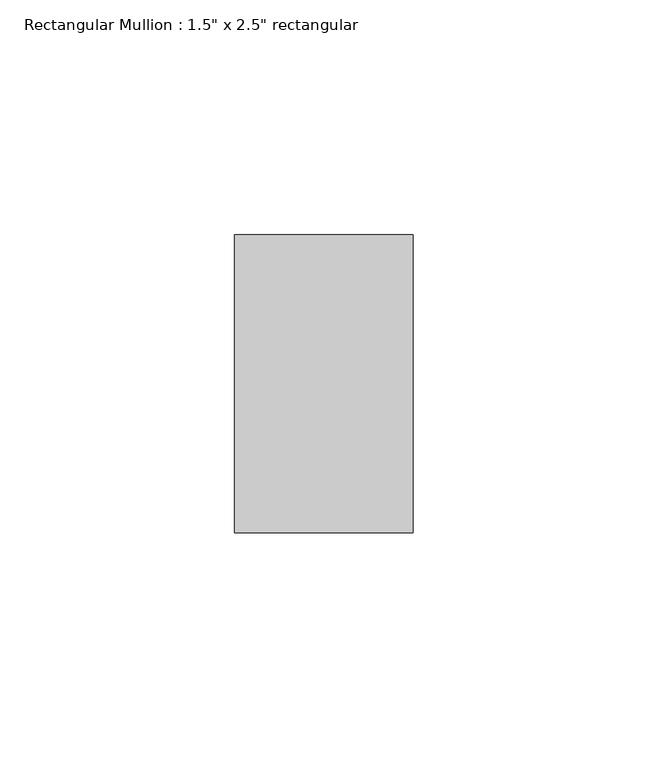
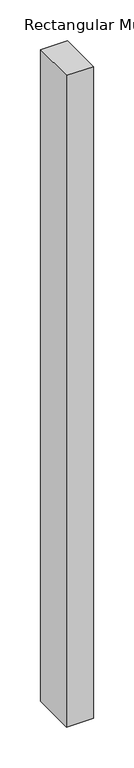
"""IFC4 building model written with IfcOpenShell, lengths in millimetres: member geometry."""

from ifc_helpers import new_model, si_unit, frame, origin, place, context, project, spatial, polyline, outline, extrude, source, transform, mapped, element, save


def member_8b452630(model_context):
    return source(origin(), model_context, "Body", "SweptSolid", [
        extrude(outline(polyline([(19.05, 82.55), (19.05, 19.05), (-19.05, 19.05), (-19.05, 82.55), (19.05, 82.55)])), frame((0.0, 0.0, -975.36), z_axis=(0.0, 0.0, 1.0), x_axis=(1.0, 0.0, 0.0)), (0.0, 0.0, 1.0), 975.36),
    ])


if __name__ == "__main__":
    model = new_model("IFC4")
    model_context = context("Model", 3, world=origin())
    ifc_project = project(units=[si_unit("LENGTHUNIT", "METRE", prefix="MILLI")], contexts=[model_context])
    site = spatial("IfcSite", under=ifc_project)
    building = spatial("IfcBuilding", under=site)
    placement = place(None, origin())
    member_shape = member_8b452630(model_context)
    element("IfcMember", 1, ObjectType="Rectangular Mullion : 1.5\" x 2.5\" rectangular", at=placement, inside=building, context=model_context, shape_type="MappedRepresentation", body=[
        mapped(member_shape, transform((0.0, 0.0, 0.0), x_axis=(1.0, 0.0, 0.0), y_axis=(0.0, 1.0, 0.0), z_axis=(0.0, 0.0, 1.0))),
    ])
    save(model, "model.ifc")
